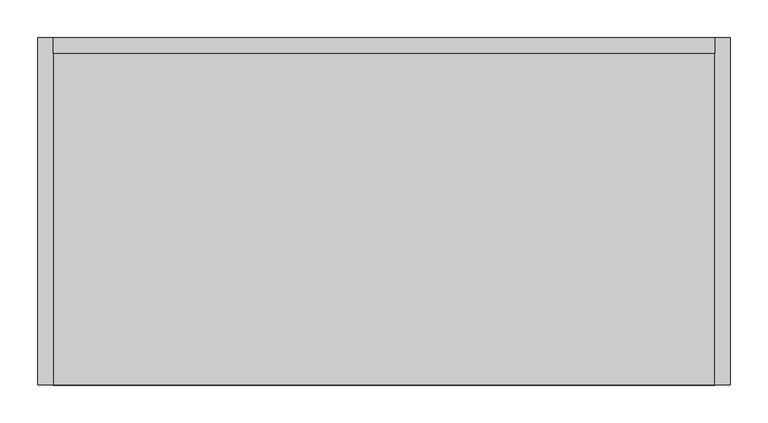
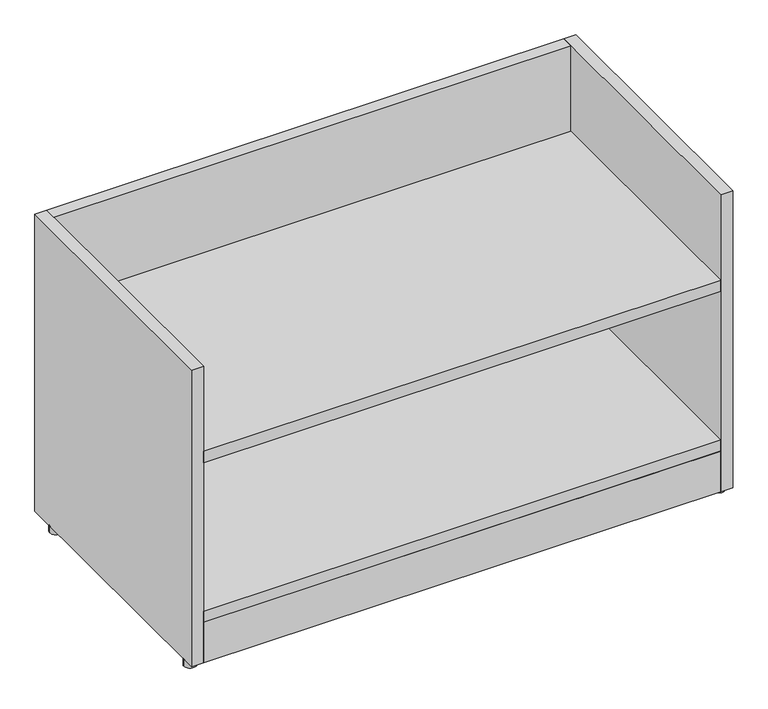
"""IFC4 building model written with IfcOpenShell, lengths in millimetres: furniture geometry."""

from ifc_helpers import new_model, si_unit, point, frame, frame_2d, origin, origin_with_axes, place, context, project, spatial, polyline, circle_curve, trimmed, segment, composite_curve, outline, extrude, source, transform, mapped, element, save


def furniture_99117e30(model_context):
    return source(origin(), model_context, "Body", "SweptSolid", [
        extrude(outline(polyline([(894.08, -436.245), (894.08, -459.105), (20.32, -459.105), (20.32, -436.245), (894.08, -436.245)])), frame((0.0, 0.0, 12.7), z_axis=(0.0, 0.0, 1.0), x_axis=(1.0, 0.0, 0.0)), (0.0, 0.0, 1.0), 72.39),
        extrude(outline(composite_curve([segment(trimmed(circle_curve(frame_2d((10.16, -43.18)), 10.16), [point((0.0, -43.18))], [point((20.32, -43.18))], False, "CARTESIAN"), True, "CONTINUOUS"), segment(trimmed(circle_curve(frame_2d((10.16, -43.18)), 10.16), [point((20.32, -43.18))], [point((0.0, -43.18))], False, "CARTESIAN"), True, "CONTINUOUS")], self_intersect=False)), origin_with_axes(), (0.0, 0.0, 1.0), 12.7),
        extrude(outline(composite_curve([segment(trimmed(circle_curve(frame_2d((904.24, -43.18)), 10.16), [point((894.08, -43.18))], [point((914.4, -43.18))], False, "CARTESIAN"), True, "CONTINUOUS"), segment(trimmed(circle_curve(frame_2d((904.24, -43.18)), 10.16), [point((914.4, -43.18))], [point((894.08, -43.18))], False, "CARTESIAN"), True, "CONTINUOUS")], self_intersect=False)), origin_with_axes(), (0.0, 0.0, 1.0), 12.7),
        extrude(outline(composite_curve([segment(trimmed(circle_curve(frame_2d((10.16, -436.245)), 10.16), [point((0.0, -436.245))], [point((20.32, -436.245))], False, "CARTESIAN"), True, "CONTINUOUS"), segment(trimmed(circle_curve(frame_2d((10.16, -436.245)), 10.16), [point((20.32, -436.245))], [point((0.0, -436.245))], False, "CARTESIAN"), True, "CONTINUOUS")], self_intersect=False)), origin_with_axes(), (0.0, 0.0, 1.0), 12.7),
        extrude(outline(composite_curve([segment(trimmed(circle_curve(frame_2d((904.24, -436.245)), 10.16), [point((894.08, -436.245))], [point((914.4, -436.245))], False, "CARTESIAN"), True, "CONTINUOUS"), segment(trimmed(circle_curve(frame_2d((904.24, -436.245)), 10.16), [point((914.4, -436.245))], [point((894.08, -436.245))], False, "CARTESIAN"), True, "CONTINUOUS")], self_intersect=False)), origin_with_axes(), (0.0, 0.0, 1.0), 12.7),
        extrude(outline(polyline([(894.08, -20.32), (894.08, -459.105), (20.32, -459.105), (20.32, -20.32), (894.08, -20.32)])), frame((0.0, 0.0, 370.205), z_axis=(0.0, 0.0, 1.0), x_axis=(1.0, 0.0, 0.0)), (0.0, 0.0, 1.0), 20.32),
        extrude(outline(polyline([(0.0, 12.7), (-20.32, 12.7), (-20.32, 85.09), (-459.105, 85.09), (-459.105, 105.41), (-20.32, 105.41), (-20.32, 542.925), (0.0, 542.925), (0.0, 12.7)])), frame((20.32, 0.0, 0.0), z_axis=(1.0, 0.0, 0.0), x_axis=(0.0, 1.0, 0.0)), (0.0, 0.0, 1.0), 873.76),
        extrude(outline(polyline([(20.32, 0.0), (20.32, -459.105), (0.0, -459.105), (0.0, 0.0), (20.32, 0.0)])), frame((0.0, 0.0, 12.7), z_axis=(0.0, 0.0, 1.0), x_axis=(1.0, 0.0, 0.0)), (0.0, 0.0, 1.0), 530.225),
        extrude(outline(polyline([(894.08, 0.0), (914.4, 0.0), (914.4, -459.105), (894.08, -459.105), (894.08, 0.0)])), frame((0.0, 0.0, 12.7), z_axis=(0.0, 0.0, 1.0), x_axis=(1.0, 0.0, 0.0)), (0.0, 0.0, 1.0), 530.225),
    ])


if __name__ == "__main__":
    model = new_model("IFC4")
    model_context = context("Model", 3, world=origin())
    ifc_project = project(units=[si_unit("LENGTHUNIT", "METRE", prefix="MILLI")], contexts=[model_context])
    site = spatial("IfcSite", under=ifc_project)
    building = spatial("IfcBuilding", under=site)
    placement = place(None, origin())
    furniture_shape = furniture_99117e30(model_context)
    element("IfcFurniture", 1, at=placement, inside=building, context=model_context, shape_type="MappedRepresentation", body=[
        mapped(furniture_shape, transform((0.0, 0.0, 0.0), x_axis=(1.0, 0.0, 0.0), y_axis=(0.0, 1.0, 0.0), z_axis=(0.0, 0.0, 1.0))),
    ])
    save(model, "model.ifc")
